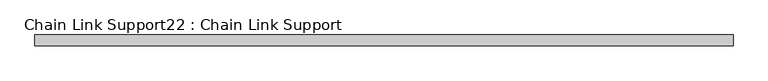
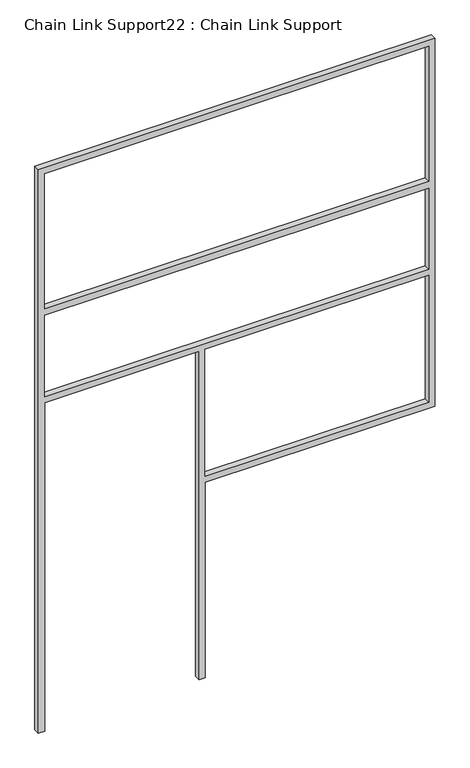
"""IFC4 building model written with IfcOpenShell, lengths in millimetres: proxy geometry, Chain Link Support22 : Chain Link Support."""

from ifc_helpers import new_model, si_unit, frame, origin, place, context, project, spatial, polyline, outline, extrude, source, transform, mapped, element, save


def chain_link_support22_chain_link_support_718d5582(model_context):
    return source(origin(), model_context, "Body", "SweptSolid", [
        extrude(outline(polyline([(3657.6, -2987.6848205), (0.0, -2987.6848205), (0.0, -2949.5848205), (2133.6, -2949.5848205), (2133.6, -2000.2598205), (0.0, -2000.2598205), (0.0, -1962.1598205), (1270.0, -1962.1598205), (1270.0, -549.2848205), (3657.6, -549.2848205), (3657.6, -2987.6848205)]), holes=[polyline([(2743.2, -2949.5848205), (3619.5, -2949.5848205), (3619.5, -587.3848205), (2743.2, -587.3848205), (2743.2, -2949.5848205)]), polyline([(1308.1, -587.3848205), (1308.1, -1962.1598205), (2133.6, -1962.1598205), (2133.6, -587.3848205), (1308.1, -587.3848205)]), polyline([(2171.7, -2949.5848205), (2698.75, -2949.5848205), (2698.75, -587.3848205), (2171.7, -587.3848205), (2171.7, -2949.5848205)])]), frame((0.0, 15505.742683, 0.0), z_axis=(0.0, 1.0, 0.0), x_axis=(0.0, 0.0, 1.0)), (0.0, 0.0, 1.0), 38.1),
    ])


if __name__ == "__main__":
    model = new_model("IFC4")
    model_context = context("Model", 3, world=origin())
    ifc_project = project(units=[si_unit("LENGTHUNIT", "METRE", prefix="MILLI")], contexts=[model_context])
    site = spatial("IfcSite", under=ifc_project)
    building = spatial("IfcBuilding", under=site)
    placement = place(None, origin())
    chain_link_support22_chain_link_support_shape = chain_link_support22_chain_link_support_718d5582(model_context)
    element("IfcBuildingElementProxy", 1, Name="Chain Link Support22 : Chain Link Support", ObjectType="Chain Link Support22 : Chain Link Support", at=placement, inside=building, context=model_context, shape_type="MappedRepresentation", body=[
        mapped(chain_link_support22_chain_link_support_shape, transform((0.0, 0.0, 0.0), x_axis=(1.0, 0.0, 0.0), y_axis=(0.0, 1.0, 0.0), z_axis=(0.0, 0.0, 1.0))),
    ])
    save(model, "model.ifc")
